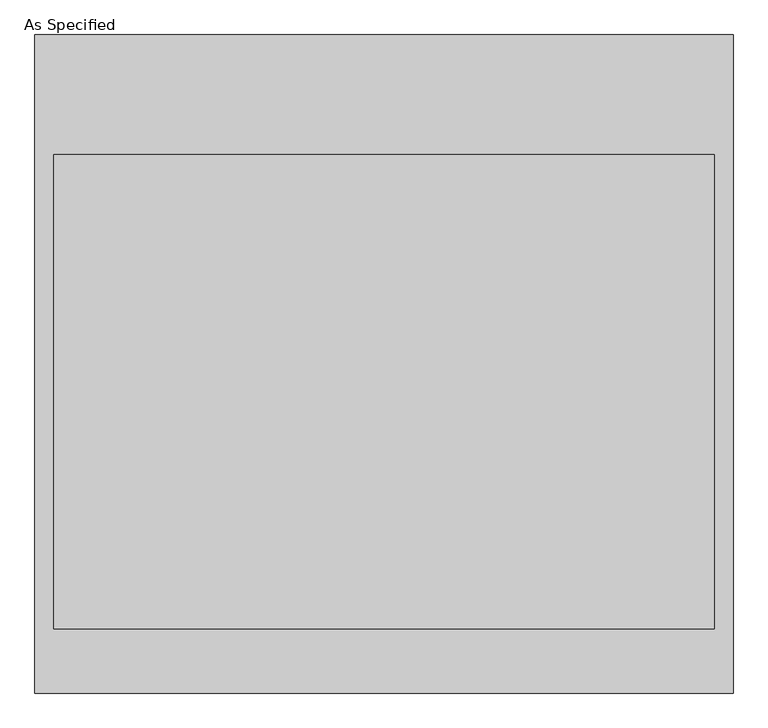
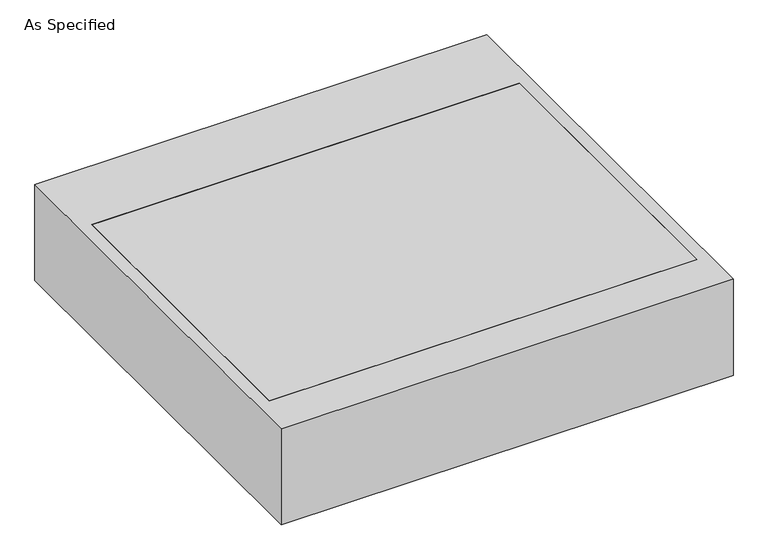
"""IFC4 building model written with IfcOpenShell, lengths in millimetres: proxy geometry, As Specified."""

from ifc_helpers import new_model, si_unit, frame, origin, place, context, project, spatial, polyline, outline, extrude, source, transform, mapped, element, save


def as_specified_4b751398(model_context):
    return source(origin(), model_context, "Body", "SweptSolid", [
        extrude(outline(polyline([(-1120.775, -1057.275), (-1120.775, 1057.275), (1120.775, 1057.275), (1120.775, -1057.275), (-1120.775, -1057.275)]), holes=[polyline([(1060.45, 673.1), (-1060.45, 673.1), (-1060.45, -850.9), (1060.45, -850.9), (1060.45, 673.1)])]), frame((0.0, 0.0, -530.225), z_axis=(0.0, 0.0, 1.0), x_axis=(1.0, 0.0, 0.0)), (0.0, 0.0, 1.0), 504.825),
        extrude(outline(polyline([(1060.45, 673.1), (1060.45, -850.9), (-1060.45, -850.9), (-1060.45, 673.1), (1060.45, 673.1)])), frame((0.0, 0.0, -530.225), z_axis=(0.0, 0.0, 1.0), x_axis=(1.0, 0.0, 0.0)), (0.0, 0.0, 1.0), 504.825),
    ])


if __name__ == "__main__":
    model = new_model("IFC4")
    model_context = context("Model", 3, world=origin())
    ifc_project = project(units=[si_unit("LENGTHUNIT", "METRE", prefix="MILLI")], contexts=[model_context])
    site = spatial("IfcSite", under=ifc_project)
    building = spatial("IfcBuilding", under=site)
    placement = place(None, origin())
    as_specified_shape = as_specified_4b751398(model_context)
    element("IfcBuildingElementProxy", 1, Name="As Specified", ObjectType="As Specified", at=placement, inside=building, context=model_context, shape_type="MappedRepresentation", body=[
        mapped(as_specified_shape, transform((0.0, 0.0, 0.0), x_axis=(1.0, 0.0, 0.0), y_axis=(0.0, 1.0, 0.0), z_axis=(0.0, 0.0, 1.0))),
    ])
    save(model, "model.ifc")
